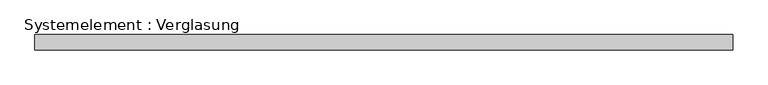
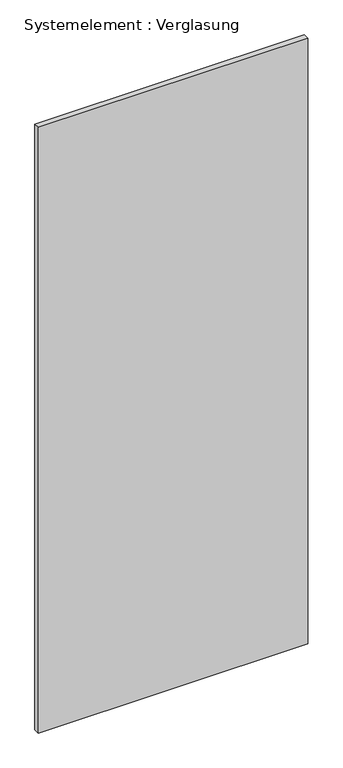
"""IFC4 building model written with IfcOpenShell, lengths in millimetres: plate geometry, Systemelement : Verglasung."""

from ifc_helpers import new_model, si_unit, origin, origin_with_axes, place, context, project, spatial, polyline, outline, extrude, source, transform, mapped, element, save


def systemelement_verglasung_1a013a86(model_context):
    return source(origin(), model_context, "Body", "SweptSolid", [
        extrude(outline(polyline([(692.3201191, -15.0), (-692.3201191, -15.0), (-692.3201191, 15.0), (692.3201191, 15.0), (692.3201191, -15.0)])), origin_with_axes(), (0.0, 0.0, 1.0), 3290.0),
    ])


if __name__ == "__main__":
    model = new_model("IFC4")
    model_context = context("Model", 3, world=origin())
    ifc_project = project(units=[si_unit("LENGTHUNIT", "METRE", prefix="MILLI")], contexts=[model_context])
    site = spatial("IfcSite", under=ifc_project)
    building = spatial("IfcBuilding", under=site)
    placement = place(None, origin())
    systemelement_verglasung_shape = systemelement_verglasung_1a013a86(model_context)
    element("IfcPlate", 1, ObjectType="Systemelement : Verglasung", at=placement, inside=building, context=model_context, shape_type="MappedRepresentation", body=[
        mapped(systemelement_verglasung_shape, transform((0.0, 0.0, 0.0), x_axis=(1.0, 0.0, 0.0), y_axis=(0.0, 1.0, 0.0), z_axis=(0.0, 0.0, 1.0))),
    ])
    save(model, "model.ifc")
